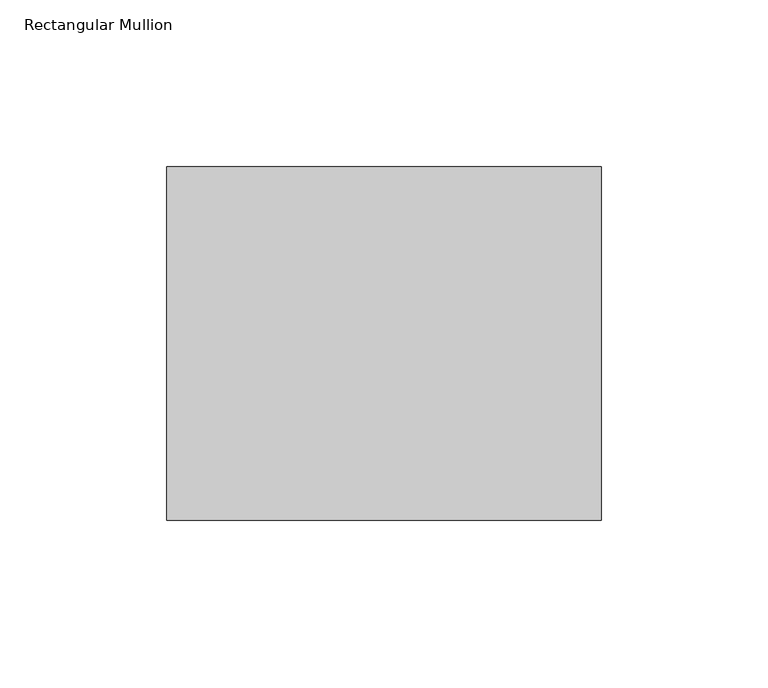
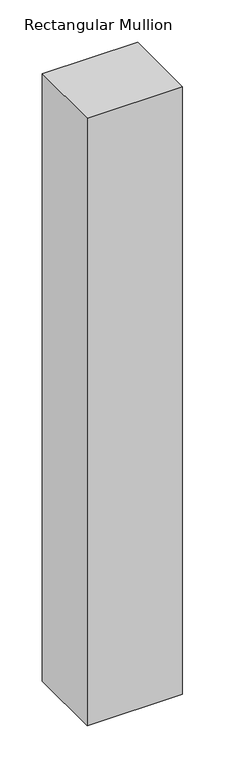
"""IFC4 building model written with IfcOpenShell, lengths in millimetres: member geometry, Rectangular Mullion."""

from ifc_helpers import new_model, si_unit, frame, origin, place, context, project, spatial, polyline, outline, extrude, source, transform, mapped, element, save


def rectangular_mullion_80743000(model_context):
    return source(origin(), model_context, "Body", "SweptSolid", [
        extrude(outline(polyline([(0.0, 52.8779994), (0.0, -52.8779994), (-130.0, -52.8779994), (-130.0, 52.8779994), (0.0, 52.8779994)])), frame((0.0, 0.0, -876.0), z_axis=(0.0, 0.0, 1.0), x_axis=(1.0, 0.0, 0.0)), (0.0, 0.0, 1.0), 876.0),
    ])


if __name__ == "__main__":
    model = new_model("IFC4")
    model_context = context("Model", 3, world=origin())
    ifc_project = project(units=[si_unit("LENGTHUNIT", "METRE", prefix="MILLI")], contexts=[model_context])
    site = spatial("IfcSite", under=ifc_project)
    building = spatial("IfcBuilding", under=site)
    placement = place(None, origin())
    rectangular_mullion_shape = rectangular_mullion_80743000(model_context)
    element("IfcMember", 1, ObjectType="Rectangular Mullion", at=placement, inside=building, context=model_context, shape_type="MappedRepresentation", body=[
        mapped(rectangular_mullion_shape, transform((0.0, 0.0, 0.0), x_axis=(1.0, 0.0, 0.0), y_axis=(0.0, 1.0, 0.0), z_axis=(0.0, 0.0, 1.0))),
    ])
    save(model, "model.ifc")
